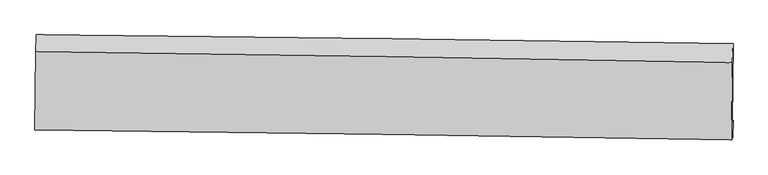
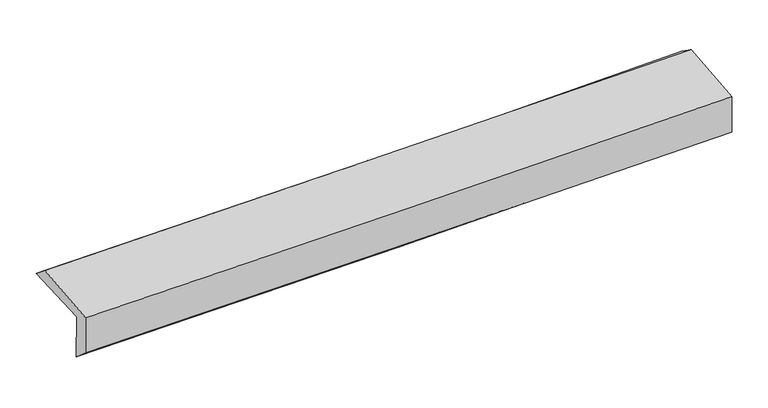
"""IFC4 building model written with IfcOpenShell, lengths in millimetres: proxy geometry."""

from ifc_helpers import new_model, si_unit, frame, origin, place, context, project, spatial, source, transform, mapped, element, save
from ifc_brep_helpers import plane_surface, spline_curve, spline_surface, advanced_brep


def generic_models_1424fe8b(model_context):
    return source(origin(), model_context, "Body", "AdvancedBrep", [
        advanced_brep(
        [(-3019.2073104, -1762.8651164, 1968.1961648), (-3010.5087063, -1093.8528204, 1995.6124649), (3003.251443, -1168.933423, 2141.0277922), (2994.5289967, -1847.1543479, 2113.2364453), (-3009.3060043, -1744.0654753, 1561.178639), (3003.9398309, -1836.3324364, 1722.2664748), (-3014.6613427, -1901.9446564, 1694.1687459), (2999.1523308, -1986.8924315, 1836.462869), (-3023.4660063, -1918.662099, 2056.1060882), (2990.2869336, -2003.725189, 2200.8968118), (-3015.3354851, -1239.1309949, 2113.7176913), (2998.2039686, -1334.1083376, 2257.6655124)],
        [
            (0, 1),
            (1, 2, spline_curve(3, [(-3010.5087063, -1093.8528204, 1995.6124649), (-2006.27627289, -1103.239145837, 1996.675685909), (-1002.48834196, -1114.197233008, 2009.350109701), (1002.096514206, -1139.230679007, 2057.8704856), (2002.895299664, -1153.299459878, 2093.66783718), (3003.251443, -1168.933423, 2141.0277922)], [4, 2, 4], [0.0, 9.879834360497581, 19.738970504726147])),
            (2, 3),
            (3, 0, spline_curve(3, [(2994.5289967, -1847.1543479, 2113.2364453), (1993.824783135, -1829.540268316, 2065.948572068), (992.853762649, -1813.714614128, 2030.218487231), (-1011.723884844, -1785.61068639, 1981.823147183), (-2015.331633528, -1773.339930193, 1969.206472051), (-3019.2073104, -1762.8651164, 1968.1961648)], [4, 2, 4], [0.0, 9.859136144228566, 19.738970504726147])),
            (4, 0),
            (3, 5),
            (5, 4, spline_curve(3, [(3003.9398309, -1836.3324364, 1722.2664748), (2003.257297079, -1812.077801127, 1678.056767859), (1002.337915052, -1792.264969821, 1642.532886662), (-1002.076367943, -1761.49064653, 1588.800433473), (-2005.572264107, -1750.547823815, 1570.628368897), (-3009.3060043, -1744.0654753, 1561.178639)], [4, 2, 4], [0.0, 9.859110336839475, 19.738918835768075])),
            (6, 4),
            (5, 7),
            (7, 6, spline_curve(3, [(2999.1523308, -1986.8924315, 1836.462869), (1997.946579392, -1970.36908128, 1806.135376877), (996.718093574, -1955.034600285, 1779.122741523), (-1007.886368687, -1926.713677893, 1731.677434291), (-2011.262440558, -1913.732234449, 1711.258695093), (-3014.6613427, -1901.9446564, 1694.1687459)], [4, 2, 4], [0.0, 9.858789670905601, 19.738276830696027])),
            (8, 6),
            (7, 9),
            (9, 8, spline_curve(3, [(2990.2869336, -2003.725189, 2200.8968118), (1989.072884227, -1987.2175941, 2170.910426643), (987.845295703, -1971.881409593, 2143.860910003), (-1016.738960628, -1943.522122356, 2095.584991236), (-2020.095685193, -1930.503944031, 2074.370933443), (-3023.4660063, -1918.662099, 2056.1060882)], [4, 2, 4], [0.0, 9.85864130403266, 19.73797978546955])),
            (10, 8),
            (9, 11),
            (11, 10, spline_curve(3, [(2998.2039686, -1334.1083376, 2257.6655124), (1997.384159194, -1315.969898566, 2227.826713281), (996.371650294, -1298.992980562, 2200.921161771), (-1008.140690808, -1267.328984281, 2152.926225505), (-2011.641333213, -1252.646787896, 2131.849170202), (-3015.3354851, -1239.1309949, 2113.7176913)], [4, 2, 4], [0.0, 9.858561868029035, 19.737820746694787])),
            (1, 10),
            (11, 2),
        ],
        [
            spline_surface(3, 3, [[(-3019.2073104, -1762.8651164, 1968.1961648), (-2015.331633541, -1773.339930216, 1969.206471966), (-1011.7238849, -1785.610686449, 1981.823147288), (992.853762704, -1813.71461407, 2030.218487126), (1993.824783072, -1829.5402683, 2065.94857194), (2994.5289967, -1847.1543479, 2113.2364453)], [(-3016.307775684, -1539.861017752, 1977.334931507), (-2012.313179938, -1549.973002142, 1978.362876605), (-1008.645370529, -1561.806201911, 1990.998801471), (995.934679847, -1588.886635759, 2039.435819914), (1996.848288576, -1604.126665459, 2075.188327045), (2997.436478801, -1621.080706267, 2122.500227587)], [(-3013.408241016, -1316.856919048, 1986.473698193), (-2009.29472638, -1326.606074012, 1987.519281222), (-1005.566856207, -1338.001717394, 2000.174455641), (999.01559694, -1364.05865747, 2048.65315269), (1999.871794077, -1378.713062615, 2084.428082188), (3000.343960899, -1395.007064633, 2131.764009913)], [(-3010.5087063, -1093.8528204, 1995.6124649), (-2006.276272777, -1103.239145938, 1996.675685861), (-1002.488341836, -1114.197232856, 2009.350109824), (1002.096514083, -1139.230679159, 2057.870485478), (2002.895299581, -1153.299459774, 2093.667837293), (3003.251443, -1168.933423, 2141.0277922)]], [4, 4], [4, 2, 4], [0.0, 2.209888970573775], [0.0, 9.879834360497581, 19.738970504726147]),
            spline_surface(3, 3, [[(-3009.3060043, -1744.0654753, 1561.178639), (-2005.572264168, -1750.547823877, 1570.628369022), (-1002.076367899, -1761.490646435, 1588.800433329), (1002.337915007, -1792.264969916, 1642.532886806), (2003.257297086, -1812.077801047, 1678.056767811), (3003.9398309, -1836.3324364, 1722.2664748)], [(-3012.606439657, -1750.332022335, 1696.851147575), (-2008.825387283, -1758.145192658, 1703.487736645), (-1005.292206892, -1769.530659753, 1719.808004632), (999.176530913, -1799.414851281, 1771.76142023), (2000.113125743, -1817.898623479, 1807.354035866), (3000.802886162, -1839.939740248, 1852.589798312)], [(-3015.906875043, -1756.598569365, 1832.523656225), (-2012.078510426, -1765.742561435, 1836.347104343), (-1008.508045906, -1777.57067313, 1850.815575985), (996.015146799, -1806.564732705, 1900.989953702), (1996.968954415, -1823.719445868, 1936.651303886), (2997.665941438, -1843.547044052, 1982.913121788)], [(-3019.2073104, -1762.8651164, 1968.1961648), (-2015.331633541, -1773.339930216, 1969.206471966), (-1011.7238849, -1785.610686449, 1981.823147288), (992.853762704, -1813.71461407, 2030.218487126), (1993.824783072, -1829.5402683, 2065.94857194), (2994.5289967, -1847.1543479, 2113.2364453)]], [4, 4], [4, 2, 4], [0.0, 1.2832720351457572], [0.0, 9.8798084989286, 19.738918835768075]),
            spline_surface(3, 3, [[(-3014.6613427, -1901.9446564, 1694.1687459), (-2011.26244061, -1913.732234301, 1711.258695029), (-1007.886368688, -1926.713678055, 1731.677434223), (996.718093575, -1955.034600124, 1779.122741592), (1997.946579512, -1970.369081431, 1806.13537675), (2999.1523308, -1986.8924315, 1836.462869)], [(-3012.876229912, -1849.318262691, 1649.838710282), (-2009.365715141, -1859.337430817, 1664.381919708), (-1005.949701777, -1871.639334188, 1684.051767283), (998.591367367, -1900.778056727, 1733.592790022), (1999.71681873, -1917.605321315, 1763.442507089), (3000.748164193, -1936.705766478, 1798.397404252)], [(-3011.091117088, -1796.691869009, 1605.508674618), (-2007.468989637, -1804.94262736, 1617.505144343), (-1004.013034809, -1816.564990302, 1636.426100268), (1000.464641215, -1846.521513313, 1688.062838377), (2001.487057868, -1864.841561164, 1720.749637472), (3002.343997507, -1886.519101422, 1760.331939548)], [(-3009.3060043, -1744.0654753, 1561.178639), (-2005.572264168, -1750.547823877, 1570.628369022), (-1002.076367899, -1761.490646435, 1588.800433329), (1002.337915007, -1792.264969916, 1642.532886806), (2003.257297086, -1812.077801047, 1678.056767811), (3003.9398309, -1836.3324364, 1722.2664748)]], [4, 4], [4, 2, 4], [0.0, 0.7071375882168085], [0.0, 9.879487159790425, 19.738276830696027]),
            spline_surface(3, 3, [[(-3023.4660063, -1918.662099, 2056.1060882), (-2020.095685304, -1930.503943915, 2074.370933462), (-1016.738960666, -1943.522122479, 2095.584991236), (987.845295741, -1971.881409471, 2143.860910002), (1989.072884372, -1987.217594256, 2170.910426765), (2990.2869336, -2003.725189, 2200.8968118)], [(-3020.531118424, -1913.089618122, 1935.460307438), (-2017.151270396, -1924.913374032, 1953.333520655), (-1013.788096655, -1937.919307665, 1974.28247221), (990.802895037, -1966.265806349, 2022.28152051), (1992.030782733, -1981.601423297, 2049.318743441), (2993.242065982, -1998.114269816, 2079.418830881)], [(-3017.596230576, -1907.517137278, 1814.814526662), (-2014.206855518, -1919.322804183, 1832.296107836), (-1010.837232698, -1932.316492869, 1852.979953249), (993.760494279, -1960.650203245, 1900.702131084), (1994.98868115, -1975.98525239, 1927.727060074), (2996.197198418, -1992.503350684, 1957.940849919)], [(-3014.6613427, -1901.9446564, 1694.1687459), (-2011.26244061, -1913.732234301, 1711.258695029), (-1007.886368688, -1926.713678055, 1731.677434223), (996.718093575, -1955.034600124, 1779.122741592), (1997.946579512, -1970.369081431, 1806.13537675), (2999.1523308, -1986.8924315, 1836.462869)]], [4, 4], [4, 2, 4], [0.0, 1.1969096931277563], [0.0, 9.879338481436887, 19.73797978546955]),
            spline_surface(3, 3, [[(-3015.3354851, -1239.1309949, 2113.7176913), (-2011.641333283, -1252.646787941, 2131.849170287), (-1008.140690895, -1267.328984248, 2152.926225613), (996.37165038, -1298.992980595, 2200.921161663), (1997.384159234, -1315.969898497, 2227.826713367), (2998.2039686, -1334.1083376, 2257.6655124)], [(-3018.045658834, -1465.641362959, 2094.513823599), (-2014.459450624, -1478.599173292, 2112.68975801), (-1011.006780827, -1492.726697023, 2133.812480829), (993.529532158, -1523.289123584, 2181.901077784), (1994.6137343, -1539.719130423, 2208.854617829), (2995.564956953, -1557.313954739, 2238.742612195)], [(-3020.755832566, -1692.151730941, 2075.309955901), (-2017.277567963, -1704.551558564, 2093.530345738), (-1013.872870733, -1718.124409705, 2114.698736021), (990.687413963, -1747.585266481, 2162.880993881), (1991.843309306, -1763.46836233, 2189.882522304), (2992.925945247, -1780.519571861, 2219.819712005)], [(-3023.4660063, -1918.662099, 2056.1060882), (-2020.095685304, -1930.503943915, 2074.370933462), (-1016.738960666, -1943.522122479, 2095.584991236), (987.845295741, -1971.881409471, 2143.860910002), (1989.072884372, -1987.217594256, 2170.910426765), (2990.2869336, -2003.725189, 2200.8968118)]], [4, 4], [4, 2, 4], [0.0, 2.221192133741776], [0.0, 9.879258878665752, 19.737820746694787]),
            spline_surface(3, 3, [[(-3010.5087063, -1093.8528204, 1995.6124649), (-2006.276272777, -1103.239145938, 1996.675685861), (-1002.488341836, -1114.197232856, 2009.350109824), (1002.096514083, -1139.230679159, 2057.870485478), (2002.895299581, -1153.299459774, 2093.667837293), (3003.251443, -1168.933423, 2141.0277922)], [(-3012.117632589, -1142.27887854, 2034.9808737), (-2008.064626301, -1153.041693246, 2041.733514003), (-1004.372458202, -1165.241149982, 2057.208815089), (1000.188226169, -1192.484779633, 2105.554044208), (2001.058252775, -1207.522939333, 2138.387462658), (3001.568951509, -1223.991727852, 2179.907032273)], [(-3013.726558811, -1190.70493676, 2074.3492825), (-2009.852979759, -1202.844240633, 2086.791342145), (-1006.256574529, -1216.285067122, 2105.067520349), (998.279938294, -1245.738880121, 2153.237602933), (1999.221206041, -1261.746418938, 2183.107088002), (2999.886460091, -1279.050032748, 2218.786272327)], [(-3015.3354851, -1239.1309949, 2113.7176913), (-2011.641333283, -1252.646787941, 2131.849170287), (-1008.140690895, -1267.328984248, 2152.926225613), (996.37165038, -1298.992980595, 2200.921161663), (1997.384159234, -1315.969898497, 2227.826713367), (2998.2039686, -1334.1083376, 2257.6655124)]], [4, 4], [4, 2, 4], [0.0, 0.6963170902727285], [0.0, 9.879367679832132, 19.73803812108951]),
            plane_surface(frame((2998.2272506, -1696.1910276, 2045.2593176), z_axis=(0.9996240061980551, -0.013826217943247466, 0.023678723148357547), x_axis=(0.024293406390384107, 0.04612596741904502, -0.9986401882237711))),
            plane_surface(frame((-3015.4141425, -1610.0868604, 1898.163299), z_axis=(-0.9996221997635688, 0.013967338029676838, -0.02367216103799282), x_axis=(-0.012990158643798258, -0.9990770602382661, -0.040942441110332184))),
        ],
        [
            (0, [[1, 2, 3, 4]]),
            (1, [[5, -4, 6, 7]]),
            (2, [[8, -7, 9, 10]]),
            (3, [[11, -10, 12, 13]]),
            (4, [[14, -13, 15, 16]]),
            (5, [[17, -16, 18, -2]]),
            (6, [[-12, -9, -6, -3, -18, -15]]),
            (7, [[-1, -5, -8, -11, -14, -17]]),
        ],
    ),
    ])


if __name__ == "__main__":
    model = new_model("IFC4")
    model_context = context("Model", 3, world=origin())
    ifc_project = project(units=[si_unit("LENGTHUNIT", "METRE", prefix="MILLI")], contexts=[model_context])
    site = spatial("IfcSite", under=ifc_project)
    building = spatial("IfcBuilding", under=site)
    placement = place(None, origin())
    generic_models_shape = generic_models_1424fe8b(model_context)
    element("IfcBuildingElementProxy", 1, Name="Generic Models", at=placement, inside=building, context=model_context, shape_type="MappedRepresentation", body=[
        mapped(generic_models_shape, transform((0.0, 0.0, 0.0), x_axis=(1.0, 0.0, 0.0), y_axis=(0.0, 1.0, 0.0), z_axis=(0.0, 0.0, 1.0))),
    ])
    save(model, "model.ifc")
